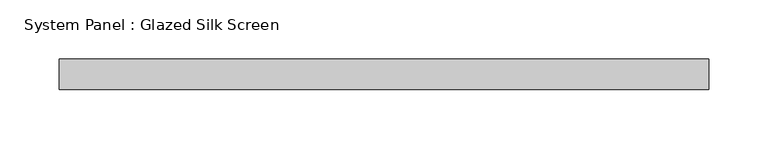
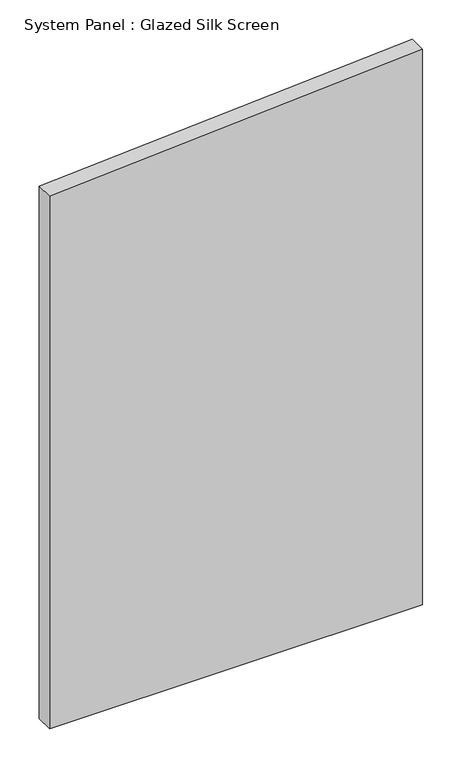
"""IFC4 building model written with IfcOpenShell, lengths in millimetres: plate geometry, System Panel : Glazed Silk Screen."""

from ifc_helpers import new_model, si_unit, frame, origin, place, context, project, spatial, polyline, outline, extrude, source, transform, mapped, element, save


def system_panel_glazed_silk_screen_178aa62c(model_context):
    return source(origin(), model_context, "Body", "SweptSolid", [
        extrude(outline(polyline([(0.0, -273.05), (0.0, 273.05), (858.8129977, 273.05), (822.6913335, -273.05), (0.0, -273.05)])), frame((0.0, 19.05, 0.0), z_axis=(0.0, 1.0, 0.0), x_axis=(0.0, 0.0, 1.0)), (0.0, 0.0, 1.0), 25.4),
    ])


if __name__ == "__main__":
    model = new_model("IFC4")
    model_context = context("Model", 3, world=origin())
    ifc_project = project(units=[si_unit("LENGTHUNIT", "METRE", prefix="MILLI")], contexts=[model_context])
    site = spatial("IfcSite", under=ifc_project)
    building = spatial("IfcBuilding", under=site)
    placement = place(None, origin())
    system_panel_glazed_silk_screen_shape = system_panel_glazed_silk_screen_178aa62c(model_context)
    element("IfcPlate", 1, ObjectType="System Panel : Glazed Silk Screen", at=placement, inside=building, context=model_context, shape_type="MappedRepresentation", body=[
        mapped(system_panel_glazed_silk_screen_shape, transform((0.0, 0.0, 0.0), x_axis=(1.0, 0.0, 0.0), y_axis=(0.0, 1.0, 0.0), z_axis=(0.0, 0.0, 1.0))),
    ])
    save(model, "model.ifc")
